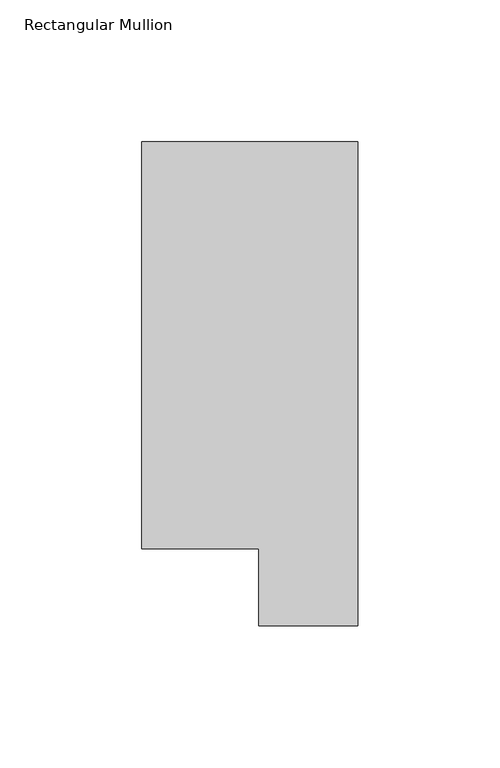
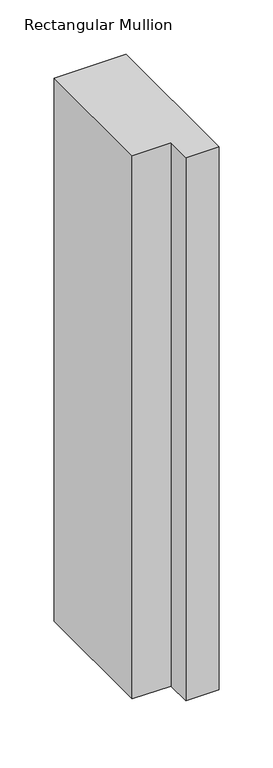
"""IFC4 building model written with IfcOpenShell, lengths in millimetres: member geometry, Rectangular Mullion."""

import ifcopenshell
import ifcopenshell.guid

model = None  # the IFC model being written
_history = None  # IfcOwnerHistory: only IFC2X3 demands one
_inside = {}  # id of a spatial element -> (the spatial element, [elements in it])
_under = {}  # id of a project, library or spatial element -> (it, [spatial elements below it])
_declared = {}  # id of a project -> (the project, [libraries it declares])
_typed = {}  # id of a type object -> (the type object, [elements of that type])
_made_of = {}  # id of a material, layer set ... -> (it, [elements and type objects made of it])


def new_model(schema):
    """Start an empty IFC model of exactly this schema.

    Asked for "IFC4X3", IfcOpenShell would pick the latest addendum, in which some entities
    have other attributes; the version numbers below select the first issue.
    IFC2X3 requires an IfcOwnerHistory on every rooted entity: one is made here for all.
    """
    global model, _history
    if schema == "IFC4X3":
        model = ifcopenshell.file(schema_version=(4, 3, 0, 0))
    else:
        model = ifcopenshell.file(schema=schema)
    _inside.clear()
    _under.clear()
    _declared.clear()
    _typed.clear()
    _made_of.clear()
    _history = None
    if model.schema == "IFC2X3":
        org = make("IfcOrganization", Name="unknown")
        user = make(
            "IfcPersonAndOrganization",
            ThePerson=make("IfcPerson", FamilyName="unknown"),
            TheOrganization=org,
        )
        app = make(
            "IfcApplication",
            ApplicationDeveloper=org,
            Version="unknown",
            ApplicationFullName="unknown",
            ApplicationIdentifier="unknown",
        )
        _history = make(
            "IfcOwnerHistory",
            OwningUser=user,
            OwningApplication=app,
            ChangeAction="ADDED",
            CreationDate=0,
        )
    return model


def make(cls, **values):
    """One entity of the class cls with the attributes given. An attribute that is None is left unset."""
    return model.create_entity(
        cls, **{name: value for name, value in values.items() if value is not None}
    )


def rooted(cls, **values):
    """An entity with a GlobalId (a new one), such as an element, a storey or a relation."""
    return make(cls, GlobalId=ifcopenshell.guid.new(), OwnerHistory=_history, **values)


def si_unit(unit_type, name, prefix=None):
    """IfcSIUnit, for example si_unit("LENGTHUNIT", "METRE", prefix="MILLI")."""
    return make("IfcSIUnit", UnitType=unit_type, Prefix=prefix, Name=name)


def assignment(units):
    """IfcUnitAssignment: the units of a project."""
    return None if units is None else make("IfcUnitAssignment", Units=units)


def point(xyz):
    """IfcCartesianPoint."""
    return None if xyz is None else make("IfcCartesianPoint", Coordinates=xyz)


def direction(xyz):
    """IfcDirection."""
    return None if xyz is None else make("IfcDirection", DirectionRatios=xyz)


def frame(location, z_axis=None, x_axis=None):
    """IfcAxis2Placement3D, a coordinate frame: its origin and axes. An axis left out is left unset."""
    return make(
        "IfcAxis2Placement3D",
        Location=point(location),
        Axis=direction(z_axis),
        RefDirection=direction(x_axis),
    )


def origin():
    """The frame at (0, 0, 0) with its axes left unset."""
    return frame((0.0, 0.0, 0.0))


def place(relative_to, where):
    """IfcLocalPlacement: puts the frame where relative to a parent placement (None: the world)."""
    return make(
        "IfcLocalPlacement", PlacementRelTo=relative_to, RelativePlacement=where
    )


def context(
    kind, dimensions, precision=None, world=None, true_north=None, identifier=None
):
    """IfcGeometricRepresentationContext, for example the 3D "Model" context."""
    return make(
        "IfcGeometricRepresentationContext",
        ContextIdentifier=identifier,
        ContextType=kind,
        CoordinateSpaceDimension=dimensions,
        Precision=precision,
        WorldCoordinateSystem=world,
        TrueNorth=true_north,
    )


def project(units=None, contexts=None):
    """IfcProject with its units and contexts."""
    return rooted(
        "IfcProject",
        Name="project",
        RepresentationContexts=contexts,
        UnitsInContext=assignment(units),
    )


def spatial(cls, under=None, at=None, **own):
    """A site, building, storey or space (cls), placed at a placement, below another one or the project."""
    s = rooted(cls, ObjectPlacement=at, **own)
    if under is not None:
        _under.setdefault(under.id(), (under, []))[1].append(s)
    return s


def polyline(points):
    """IfcPolyline through the points."""
    return make("IfcPolyline", Points=[point(p) for p in points])


def outline(outer, holes=None, kind="AREA"):
    """IfcArbitraryClosedProfileDef: a profile drawn as a closed curve; with holes, ...WithVoids."""
    if holes is None:
        return make("IfcArbitraryClosedProfileDef", ProfileType=kind, OuterCurve=outer)
    return make(
        "IfcArbitraryProfileDefWithVoids",
        ProfileType=kind,
        OuterCurve=outer,
        InnerCurves=holes,
    )


def extrude(swept, where, along, depth):
    """IfcExtrudedAreaSolid: the profile swept, set in the frame where, extruded along a direction by depth."""
    return make(
        "IfcExtrudedAreaSolid",
        SweptArea=swept,
        Position=where,
        ExtrudedDirection=direction(along),
        Depth=depth,
    )


def shape(context_of_items, identifier, shape_type, items):
    """IfcShapeRepresentation: the items that make up one representation, for example the "Body"."""
    return make(
        "IfcShapeRepresentation",
        ContextOfItems=context_of_items,
        RepresentationIdentifier=identifier,
        RepresentationType=shape_type,
        Items=items,
    )


def source(mapping_origin, context_of_items, identifier, shape_type, items):
    """IfcRepresentationMap: a shape defined once, which mapped items show again and again."""
    return make(
        "IfcRepresentationMap",
        MappingOrigin=mapping_origin,
        MappedRepresentation=shape(context_of_items, identifier, shape_type, items),
    )


def transform(
    local_origin,
    x_axis=None,
    y_axis=None,
    z_axis=None,
    scale=None,
    scale2=None,
    scale3=None,
    uniform=True,
):
    """IfcCartesianTransformationOperator3D, or its non-uniform kind. x_axis, y_axis, z_axis: its Axis1, 2, 3."""
    if uniform:
        return make(
            "IfcCartesianTransformationOperator3D",
            Axis1=direction(x_axis),
            Axis2=direction(y_axis),
            LocalOrigin=point(local_origin),
            Scale=scale,
            Axis3=direction(z_axis),
        )
    return make(
        "IfcCartesianTransformationOperator3DnonUniform",
        Axis1=direction(x_axis),
        Axis2=direction(y_axis),
        LocalOrigin=point(local_origin),
        Scale=scale,
        Axis3=direction(z_axis),
        Scale2=scale2,
        Scale3=scale3,
    )


def mapped(mapping_source, mapping_target):
    """IfcMappedItem: shows the shape of a source again, moved by a transform."""
    return make(
        "IfcMappedItem", MappingSource=mapping_source, MappingTarget=mapping_target
    )


def made_of(thing, what):
    """Note that an element or type object is made of a material, layer set ...; save() writes the relation."""
    if what is not None:
        _made_of.setdefault(what.id(), (what, []))[1].append(thing)
    return thing


def element(
    cls,
    number,
    at=None,
    inside=None,
    cuts=None,
    type_object=None,
    material=None,
    context=None,
    identifier="Body",
    shape_type=None,
    held_by="IfcProductDefinitionShape",
    body=None,
    shapes=None,
    **own,
):
    """One element of the class cls, such as IfcWall. Its Tag is "e" and its number.

    at: its placement. inside: the storey or other place that contains it. cuts: it is an
    opening in that element (IfcRelVoidsElement). A single representation is given by context,
    identifier, shape_type and body (its items); several are given by shapes. held_by: the class
    of the entity that holds the representations. save() writes the other relations.
    """
    e = rooted(cls, Tag="e%d" % number, ObjectPlacement=at, **own)
    if body is not None:
        shapes = [shape(context, identifier, shape_type, body)]
    if shapes is not None:
        e.Representation = make(held_by, Representations=shapes)
    if inside is not None:
        _inside.setdefault(inside.id(), (inside, []))[1].append(e)
    if cuts is not None:
        rooted(
            "IfcRelVoidsElement", RelatingBuildingElement=cuts, RelatedOpeningElement=e
        )
    if type_object is not None:
        _typed.setdefault(type_object.id(), (type_object, []))[1].append(e)
    return made_of(e, material)


def aggregate(whole, parts):
    """IfcRelAggregates: a whole, such as a stair, and the parts it consists of."""
    return rooted("IfcRelAggregates", RelatingObject=whole, RelatedObjects=parts)


def save(model, path):
    """Write the relations noted so far, then the file.

    IfcRelAggregates (storeys below a building ...), IfcRelContainedInSpatialStructure (elements
    in a storey), IfcRelDefinesByType, IfcRelAssociatesMaterial and IfcRelDeclares: one each for
    every whole, place, type object, material and project.
    """
    for whole, parts in _under.values():
        aggregate(whole, parts)
    for where, things in _inside.values():
        rooted(
            "IfcRelContainedInSpatialStructure",
            RelatedElements=things,
            RelatingStructure=where,
        )
    for kind, things in _typed.values():
        rooted("IfcRelDefinesByType", RelatedObjects=things, RelatingType=kind)
    for what, things in _made_of.values():
        rooted("IfcRelAssociatesMaterial", RelatedObjects=things, RelatingMaterial=what)
    for by, libraries in _declared.values():
        rooted("IfcRelDeclares", RelatingContext=by, RelatedDefinitions=libraries)
    model.write(path)


def rectangular_mullion_7549e144(model_context):
    return source(origin(), model_context, "Body", "SweptSolid", [
        extrude(outline(polyline([(0.0, 190.2801312), (0.0, 19.5667312), (-34.9123, 19.5667312), (-34.9123, 46.7447302), (-76.2, 46.7447302), (-76.2, 190.2801312), (0.0, 190.2801312)])), frame((0.0, 0.0, -609.56825), z_axis=(0.0, 0.0, 1.0), x_axis=(1.0, 0.0, 0.0)), (0.0, 0.0, 1.0), 609.56825),
    ])


if __name__ == "__main__":
    model = new_model("IFC4")
    model_context = context("Model", 3, world=origin())
    ifc_project = project(units=[si_unit("LENGTHUNIT", "METRE", prefix="MILLI")], contexts=[model_context])
    site = spatial("IfcSite", under=ifc_project)
    building = spatial("IfcBuilding", under=site)
    placement = place(None, origin())
    rectangular_mullion_shape = rectangular_mullion_7549e144(model_context)
    element("IfcMember", 1, ObjectType="Rectangular Mullion", at=placement, inside=building, context=model_context, shape_type="MappedRepresentation", body=[
        mapped(rectangular_mullion_shape, transform((0.0, 0.0, 0.0), x_axis=(1.0, 0.0, 0.0), y_axis=(0.0, 1.0, 0.0), z_axis=(0.0, 0.0, 1.0))),
    ])
    save(model, "model.ifc")
